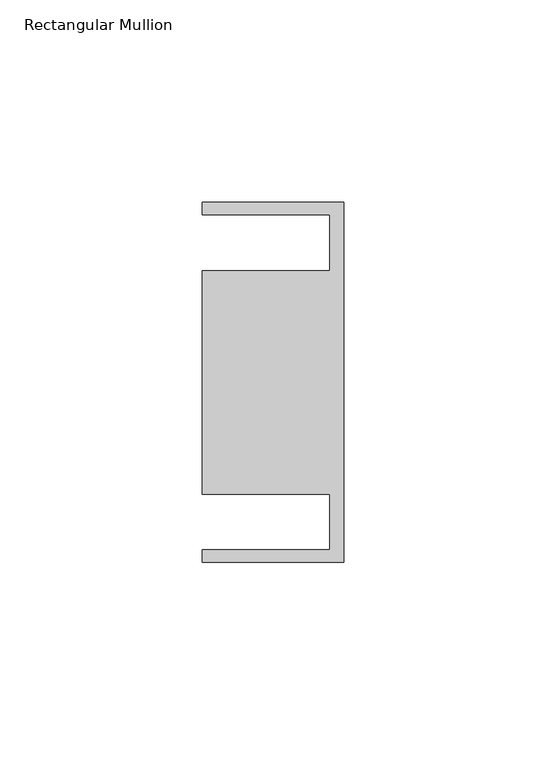
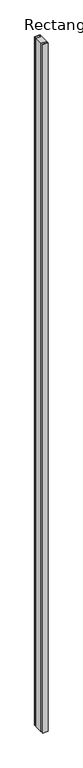
"""IFC4 building model written with IfcOpenShell, lengths in millimetres: member geometry, Rectangular Mullion."""

from ifc_helpers import new_model, si_unit, frame, origin, place, context, project, spatial, polyline, outline, extrude, source, transform, mapped, element, save


def rectangular_mullion_9152b38f(model_context):
    return source(origin(), model_context, "Body", "SweptSolid", [
        extrude(outline(polyline([(0.0, -10.0116924), (-34.9, -10.0116924), (-34.9, -6.8886438), (-3.4, -6.8886438), (-3.4, 6.8886438), (-34.9, 6.8886438), (-34.9, 62.0879714), (-3.4, 62.0879714), (-3.4, 75.865259), (-34.9, 75.865259), (-34.9, 78.9883076), (0.0, 78.9883076), (0.0, -10.0116924)])), frame((0.0, 0.0, -4663.8), z_axis=(0.0, 0.0, 1.0), x_axis=(1.0, 0.0, 0.0)), (0.0, 0.0, 1.0), 4663.8),
    ])


if __name__ == "__main__":
    model = new_model("IFC4")
    model_context = context("Model", 3, world=origin())
    ifc_project = project(units=[si_unit("LENGTHUNIT", "METRE", prefix="MILLI")], contexts=[model_context])
    site = spatial("IfcSite", under=ifc_project)
    building = spatial("IfcBuilding", under=site)
    placement = place(None, origin())
    rectangular_mullion_shape = rectangular_mullion_9152b38f(model_context)
    element("IfcMember", 1, ObjectType="Rectangular Mullion", at=placement, inside=building, context=model_context, shape_type="MappedRepresentation", body=[
        mapped(rectangular_mullion_shape, transform((0.0, 0.0, 0.0), x_axis=(1.0, 0.0, 0.0), y_axis=(0.0, 1.0, 0.0), z_axis=(0.0, 0.0, 1.0))),
    ])
    save(model, "model.ifc")
